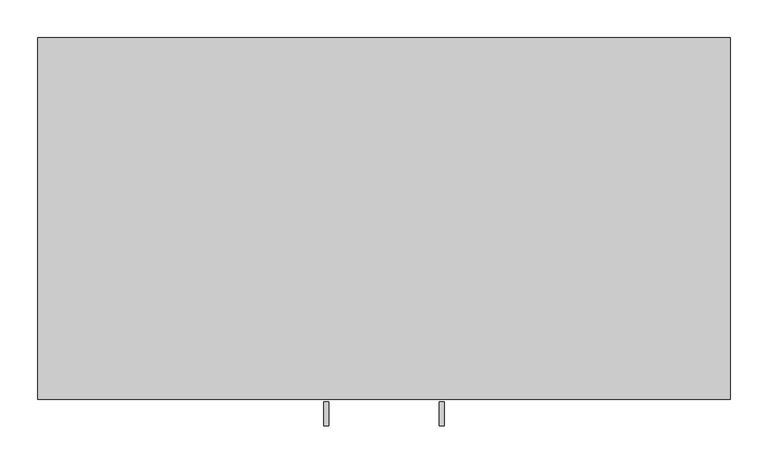
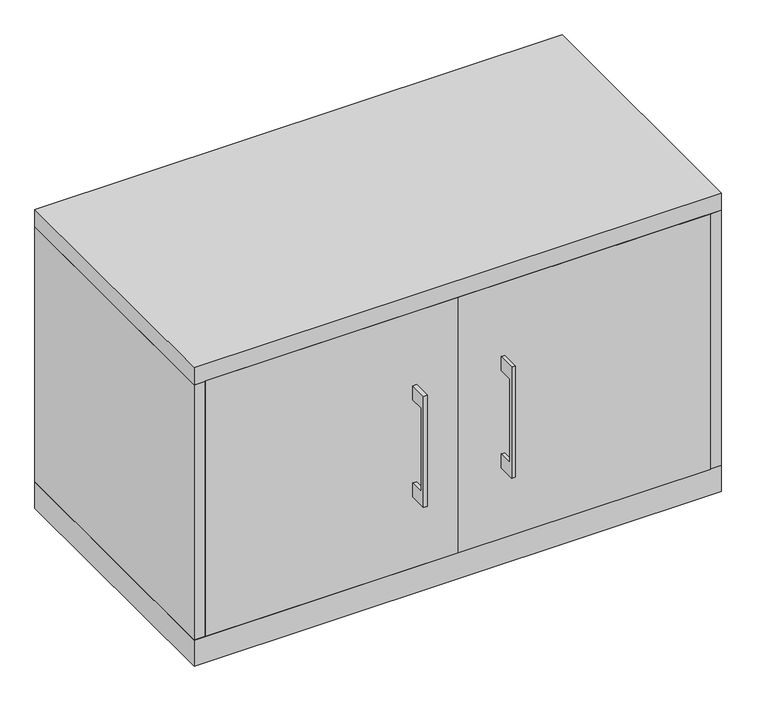
"""IFC4 building model written with IfcOpenShell, lengths in millimetres: furniture geometry."""

from ifc_helpers import new_model, si_unit, frame, origin, origin_with_axes, place, context, project, spatial, polyline, outline, extrude, source, transform, mapped, element, save


def furniture_902b7bb2(model_context):
    return source(origin(), model_context, "Body", "SweptSolid", [
        extrude(outline(polyline([(-479.425, 357.1875), (-504.8249758, 357.1875), (-504.8249758, 204.7875), (-479.425, 204.7875), (-479.425, 179.3875), (-511.1749879, 179.3875), (-511.1749879, 382.5875), (-479.425, 382.5875), (-479.425, 357.1875)])), frame((-79.3749879, 0.0, 0.0), z_axis=(1.0, 0.0, 0.0), x_axis=(0.0, 1.0, 0.0)), (0.0, 0.0, 1.0), 6.3499758),
        extrude(outline(polyline([(-436.5625, -476.25), (-436.5625, -457.2), (0.0, -457.2), (0.0, -476.25), (-436.5625, -476.25)])), frame((0.0, 0.0, 47.625), z_axis=(0.0, 0.0, 1.0), x_axis=(1.0, 0.0, 0.0)), (0.0, 0.0, 1.0), 466.725),
        extrude(outline(polyline([(-479.425, 357.1875), (-504.8249758, 357.1875), (-504.8249758, 204.7875), (-479.425, 204.7875), (-479.425, 179.3875), (-511.1749879, 179.3875), (-511.1749879, 382.5875), (-479.425, 382.5875), (-479.425, 357.1875)])), frame((73.0250121, 0.0, 0.0), z_axis=(1.0, 0.0, 0.0), x_axis=(0.0, 1.0, 0.0)), (0.0, 0.0, 1.0), 6.3499758),
        extrude(outline(polyline([(436.5625, -476.25), (0.0, -476.25), (0.0, -457.2), (436.5625, -457.2), (436.5625, -476.25)])), frame((0.0, 0.0, 47.625), z_axis=(0.0, 0.0, 1.0), x_axis=(1.0, 0.0, 0.0)), (0.0, 0.0, 1.0), 466.725),
        extrude(outline(polyline([(436.5625, -19.05), (436.5625, -457.2), (-436.5625, -457.2), (-436.5625, -19.05), (436.5625, -19.05)])), frame((0.0, 0.0, 271.4625), z_axis=(0.0, 0.0, 1.0), x_axis=(1.0, 0.0, 0.0)), (0.0, 0.0, 1.0), 19.05),
        extrude(outline(polyline([(455.6125, 0.0), (455.6125, -476.25), (-455.6125, -476.25), (-455.6125, 0.0), (455.6125, 0.0)])), origin_with_axes(), (0.0, 0.0, 1.0), 47.625),
        extrude(outline(polyline([(455.6125, 0.0), (455.6125, -476.25), (-455.6125, -476.25), (-455.6125, 0.0), (455.6125, 0.0)])), frame((0.0, 0.0, 514.35), z_axis=(0.0, 0.0, 1.0), x_axis=(1.0, 0.0, 0.0)), (0.0, 0.0, 1.0), 31.75),
        extrude(outline(polyline([(455.6125, 0.0), (455.6125, -476.25), (436.5625, -476.25), (436.5625, -19.05), (-436.5625, -19.05), (-436.5625, -476.25), (-455.6125, -476.25), (-455.6125, 0.0), (455.6125, 0.0)])), frame((0.0, 0.0, 47.625), z_axis=(0.0, 0.0, 1.0), x_axis=(1.0, 0.0, 0.0)), (0.0, 0.0, 1.0), 466.725),
    ])


if __name__ == "__main__":
    model = new_model("IFC4")
    model_context = context("Model", 3, world=origin())
    ifc_project = project(units=[si_unit("LENGTHUNIT", "METRE", prefix="MILLI")], contexts=[model_context])
    site = spatial("IfcSite", under=ifc_project)
    building = spatial("IfcBuilding", under=site)
    placement = place(None, origin())
    furniture_shape = furniture_902b7bb2(model_context)
    element("IfcFurniture", 1, at=placement, inside=building, context=model_context, shape_type="MappedRepresentation", body=[
        mapped(furniture_shape, transform((0.0, 0.0, 0.0), x_axis=(1.0, 0.0, 0.0), y_axis=(0.0, 1.0, 0.0), z_axis=(0.0, 0.0, 1.0))),
    ])
    save(model, "model.ifc")
